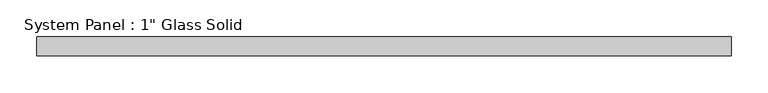
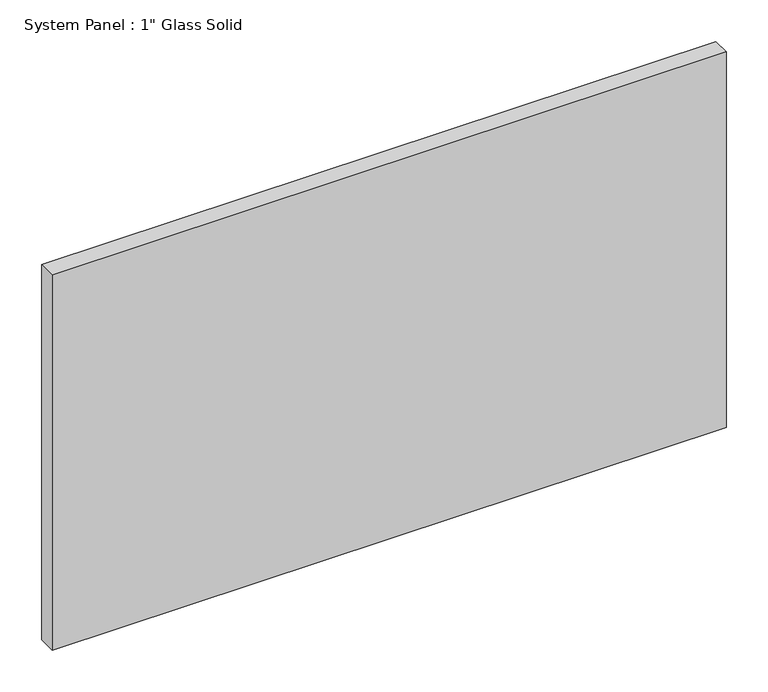
"""IFC4 building model written with IfcOpenShell, lengths in millimetres: plate geometry."""

import ifcopenshell
import ifcopenshell.guid

model = None  # the IFC model being written
_history = None  # IfcOwnerHistory: only IFC2X3 demands one
_inside = {}  # id of a spatial element -> (the spatial element, [elements in it])
_under = {}  # id of a project, library or spatial element -> (it, [spatial elements below it])
_declared = {}  # id of a project -> (the project, [libraries it declares])
_typed = {}  # id of a type object -> (the type object, [elements of that type])
_made_of = {}  # id of a material, layer set ... -> (it, [elements and type objects made of it])


def new_model(schema):
    """Start an empty IFC model of exactly this schema.

    Asked for "IFC4X3", IfcOpenShell would pick the latest addendum, in which some entities
    have other attributes; the version numbers below select the first issue.
    IFC2X3 requires an IfcOwnerHistory on every rooted entity: one is made here for all.
    """
    global model, _history
    if schema == "IFC4X3":
        model = ifcopenshell.file(schema_version=(4, 3, 0, 0))
    else:
        model = ifcopenshell.file(schema=schema)
    _inside.clear()
    _under.clear()
    _declared.clear()
    _typed.clear()
    _made_of.clear()
    _history = None
    if model.schema == "IFC2X3":
        org = make("IfcOrganization", Name="unknown")
        user = make(
            "IfcPersonAndOrganization",
            ThePerson=make("IfcPerson", FamilyName="unknown"),
            TheOrganization=org,
        )
        app = make(
            "IfcApplication",
            ApplicationDeveloper=org,
            Version="unknown",
            ApplicationFullName="unknown",
            ApplicationIdentifier="unknown",
        )
        _history = make(
            "IfcOwnerHistory",
            OwningUser=user,
            OwningApplication=app,
            ChangeAction="ADDED",
            CreationDate=0,
        )
    return model


def make(cls, **values):
    """One entity of the class cls with the attributes given. An attribute that is None is left unset."""
    return model.create_entity(
        cls, **{name: value for name, value in values.items() if value is not None}
    )


def rooted(cls, **values):
    """An entity with a GlobalId (a new one), such as an element, a storey or a relation."""
    return make(cls, GlobalId=ifcopenshell.guid.new(), OwnerHistory=_history, **values)


def si_unit(unit_type, name, prefix=None):
    """IfcSIUnit, for example si_unit("LENGTHUNIT", "METRE", prefix="MILLI")."""
    return make("IfcSIUnit", UnitType=unit_type, Prefix=prefix, Name=name)


def assignment(units):
    """IfcUnitAssignment: the units of a project."""
    return None if units is None else make("IfcUnitAssignment", Units=units)


def point(xyz):
    """IfcCartesianPoint."""
    return None if xyz is None else make("IfcCartesianPoint", Coordinates=xyz)


def direction(xyz):
    """IfcDirection."""
    return None if xyz is None else make("IfcDirection", DirectionRatios=xyz)


def frame(location, z_axis=None, x_axis=None):
    """IfcAxis2Placement3D, a coordinate frame: its origin and axes. An axis left out is left unset."""
    return make(
        "IfcAxis2Placement3D",
        Location=point(location),
        Axis=direction(z_axis),
        RefDirection=direction(x_axis),
    )


def origin():
    """The frame at (0, 0, 0) with its axes left unset."""
    return frame((0.0, 0.0, 0.0))


def origin_with_axes():
    """The frame at (0, 0, 0) with the z axis (0, 0, 1) and the x axis (1, 0, 0) written out."""
    return frame((0.0, 0.0, 0.0), z_axis=(0.0, 0.0, 1.0), x_axis=(1.0, 0.0, 0.0))


def place(relative_to, where):
    """IfcLocalPlacement: puts the frame where relative to a parent placement (None: the world)."""
    return make(
        "IfcLocalPlacement", PlacementRelTo=relative_to, RelativePlacement=where
    )


def context(
    kind, dimensions, precision=None, world=None, true_north=None, identifier=None
):
    """IfcGeometricRepresentationContext, for example the 3D "Model" context."""
    return make(
        "IfcGeometricRepresentationContext",
        ContextIdentifier=identifier,
        ContextType=kind,
        CoordinateSpaceDimension=dimensions,
        Precision=precision,
        WorldCoordinateSystem=world,
        TrueNorth=true_north,
    )


def project(units=None, contexts=None):
    """IfcProject with its units and contexts."""
    return rooted(
        "IfcProject",
        Name="project",
        RepresentationContexts=contexts,
        UnitsInContext=assignment(units),
    )


def spatial(cls, under=None, at=None, **own):
    """A site, building, storey or space (cls), placed at a placement, below another one or the project."""
    s = rooted(cls, ObjectPlacement=at, **own)
    if under is not None:
        _under.setdefault(under.id(), (under, []))[1].append(s)
    return s


def polyline(points):
    """IfcPolyline through the points."""
    return make("IfcPolyline", Points=[point(p) for p in points])


def outline(outer, holes=None, kind="AREA"):
    """IfcArbitraryClosedProfileDef: a profile drawn as a closed curve; with holes, ...WithVoids."""
    if holes is None:
        return make("IfcArbitraryClosedProfileDef", ProfileType=kind, OuterCurve=outer)
    return make(
        "IfcArbitraryProfileDefWithVoids",
        ProfileType=kind,
        OuterCurve=outer,
        InnerCurves=holes,
    )


def extrude(swept, where, along, depth):
    """IfcExtrudedAreaSolid: the profile swept, set in the frame where, extruded along a direction by depth."""
    return make(
        "IfcExtrudedAreaSolid",
        SweptArea=swept,
        Position=where,
        ExtrudedDirection=direction(along),
        Depth=depth,
    )


def shape(context_of_items, identifier, shape_type, items):
    """IfcShapeRepresentation: the items that make up one representation, for example the "Body"."""
    return make(
        "IfcShapeRepresentation",
        ContextOfItems=context_of_items,
        RepresentationIdentifier=identifier,
        RepresentationType=shape_type,
        Items=items,
    )


def source(mapping_origin, context_of_items, identifier, shape_type, items):
    """IfcRepresentationMap: a shape defined once, which mapped items show again and again."""
    return make(
        "IfcRepresentationMap",
        MappingOrigin=mapping_origin,
        MappedRepresentation=shape(context_of_items, identifier, shape_type, items),
    )


def transform(
    local_origin,
    x_axis=None,
    y_axis=None,
    z_axis=None,
    scale=None,
    scale2=None,
    scale3=None,
    uniform=True,
):
    """IfcCartesianTransformationOperator3D, or its non-uniform kind. x_axis, y_axis, z_axis: its Axis1, 2, 3."""
    if uniform:
        return make(
            "IfcCartesianTransformationOperator3D",
            Axis1=direction(x_axis),
            Axis2=direction(y_axis),
            LocalOrigin=point(local_origin),
            Scale=scale,
            Axis3=direction(z_axis),
        )
    return make(
        "IfcCartesianTransformationOperator3DnonUniform",
        Axis1=direction(x_axis),
        Axis2=direction(y_axis),
        LocalOrigin=point(local_origin),
        Scale=scale,
        Axis3=direction(z_axis),
        Scale2=scale2,
        Scale3=scale3,
    )


def mapped(mapping_source, mapping_target):
    """IfcMappedItem: shows the shape of a source again, moved by a transform."""
    return make(
        "IfcMappedItem", MappingSource=mapping_source, MappingTarget=mapping_target
    )


def made_of(thing, what):
    """Note that an element or type object is made of a material, layer set ...; save() writes the relation."""
    if what is not None:
        _made_of.setdefault(what.id(), (what, []))[1].append(thing)
    return thing


def element(
    cls,
    number,
    at=None,
    inside=None,
    cuts=None,
    type_object=None,
    material=None,
    context=None,
    identifier="Body",
    shape_type=None,
    held_by="IfcProductDefinitionShape",
    body=None,
    shapes=None,
    **own,
):
    """One element of the class cls, such as IfcWall. Its Tag is "e" and its number.

    at: its placement. inside: the storey or other place that contains it. cuts: it is an
    opening in that element (IfcRelVoidsElement). A single representation is given by context,
    identifier, shape_type and body (its items); several are given by shapes. held_by: the class
    of the entity that holds the representations. save() writes the other relations.
    """
    e = rooted(cls, Tag="e%d" % number, ObjectPlacement=at, **own)
    if body is not None:
        shapes = [shape(context, identifier, shape_type, body)]
    if shapes is not None:
        e.Representation = make(held_by, Representations=shapes)
    if inside is not None:
        _inside.setdefault(inside.id(), (inside, []))[1].append(e)
    if cuts is not None:
        rooted(
            "IfcRelVoidsElement", RelatingBuildingElement=cuts, RelatedOpeningElement=e
        )
    if type_object is not None:
        _typed.setdefault(type_object.id(), (type_object, []))[1].append(e)
    return made_of(e, material)


def aggregate(whole, parts):
    """IfcRelAggregates: a whole, such as a stair, and the parts it consists of."""
    return rooted("IfcRelAggregates", RelatingObject=whole, RelatedObjects=parts)


def save(model, path):
    """Write the relations noted so far, then the file.

    IfcRelAggregates (storeys below a building ...), IfcRelContainedInSpatialStructure (elements
    in a storey), IfcRelDefinesByType, IfcRelAssociatesMaterial and IfcRelDeclares: one each for
    every whole, place, type object, material and project.
    """
    for whole, parts in _under.values():
        aggregate(whole, parts)
    for where, things in _inside.values():
        rooted(
            "IfcRelContainedInSpatialStructure",
            RelatedElements=things,
            RelatingStructure=where,
        )
    for kind, things in _typed.values():
        rooted("IfcRelDefinesByType", RelatedObjects=things, RelatingType=kind)
    for what, things in _made_of.values():
        rooted("IfcRelAssociatesMaterial", RelatedObjects=things, RelatingMaterial=what)
    for by, libraries in _declared.values():
        rooted("IfcRelDeclares", RelatingContext=by, RelatedDefinitions=libraries)
    model.write(path)


def plate_e5918ac9(model_context):
    return source(origin(), model_context, "Body", "SweptSolid", [
        extrude(outline(polyline([(469.10625, -12.7), (-469.10625, -12.7), (-469.10625, 12.7), (469.10625, 12.7), (469.10625, -12.7)])), origin_with_axes(), (0.0, 0.0, 1.0), 552.4517704),
    ])


if __name__ == "__main__":
    model = new_model("IFC4")
    model_context = context("Model", 3, world=origin())
    ifc_project = project(units=[si_unit("LENGTHUNIT", "METRE", prefix="MILLI")], contexts=[model_context])
    site = spatial("IfcSite", under=ifc_project)
    building = spatial("IfcBuilding", under=site)
    placement = place(None, origin())
    plate_shape = plate_e5918ac9(model_context)
    element("IfcPlate", 1, ObjectType="System Panel : 1\" Glass Solid", at=placement, inside=building, context=model_context, shape_type="MappedRepresentation", body=[
        mapped(plate_shape, transform((0.0, 0.0, 0.0), x_axis=(1.0, 0.0, 0.0), y_axis=(0.0, 1.0, 0.0), z_axis=(0.0, 0.0, 1.0))),
    ])
    save(model, "model.ifc")
